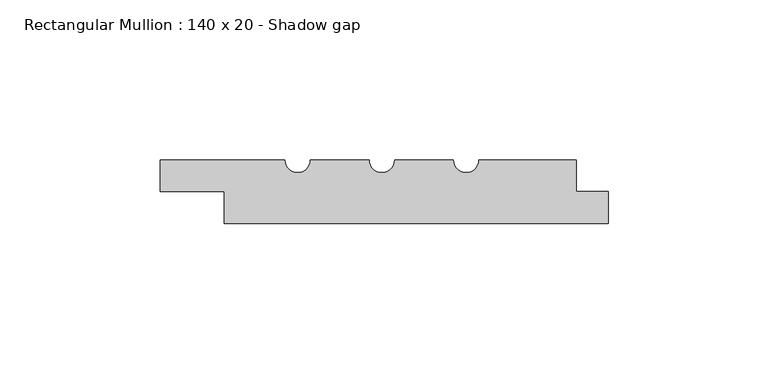
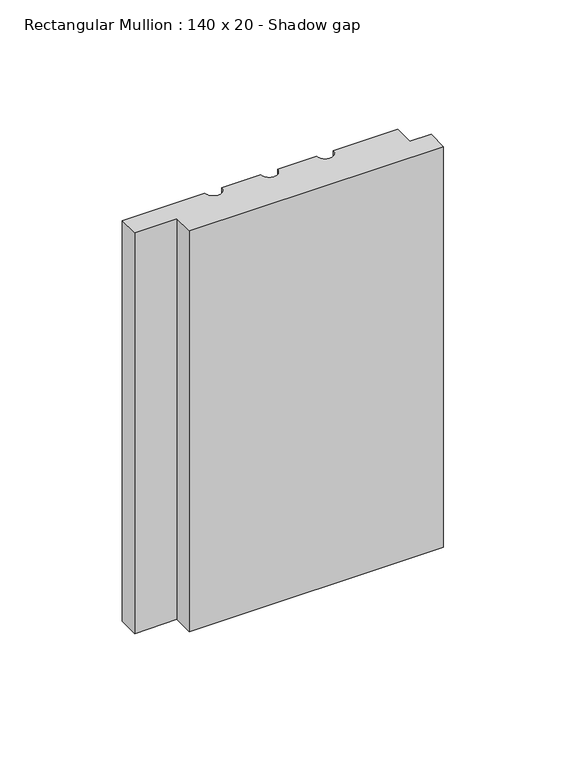
"""IFC4 building model written with IfcOpenShell, lengths in millimetres: member geometry, Rectangular Mullion : 140 x 20 - Shadow gap."""

import ifcopenshell
import ifcopenshell.guid

model = None  # the IFC model being written
_history = None  # IfcOwnerHistory: only IFC2X3 demands one
_inside = {}  # id of a spatial element -> (the spatial element, [elements in it])
_under = {}  # id of a project, library or spatial element -> (it, [spatial elements below it])
_declared = {}  # id of a project -> (the project, [libraries it declares])
_typed = {}  # id of a type object -> (the type object, [elements of that type])
_made_of = {}  # id of a material, layer set ... -> (it, [elements and type objects made of it])


def new_model(schema):
    """Start an empty IFC model of exactly this schema.

    Asked for "IFC4X3", IfcOpenShell would pick the latest addendum, in which some entities
    have other attributes; the version numbers below select the first issue.
    IFC2X3 requires an IfcOwnerHistory on every rooted entity: one is made here for all.
    """
    global model, _history
    if schema == "IFC4X3":
        model = ifcopenshell.file(schema_version=(4, 3, 0, 0))
    else:
        model = ifcopenshell.file(schema=schema)
    _inside.clear()
    _under.clear()
    _declared.clear()
    _typed.clear()
    _made_of.clear()
    _history = None
    if model.schema == "IFC2X3":
        org = make("IfcOrganization", Name="unknown")
        user = make(
            "IfcPersonAndOrganization",
            ThePerson=make("IfcPerson", FamilyName="unknown"),
            TheOrganization=org,
        )
        app = make(
            "IfcApplication",
            ApplicationDeveloper=org,
            Version="unknown",
            ApplicationFullName="unknown",
            ApplicationIdentifier="unknown",
        )
        _history = make(
            "IfcOwnerHistory",
            OwningUser=user,
            OwningApplication=app,
            ChangeAction="ADDED",
            CreationDate=0,
        )
    return model


def make(cls, **values):
    """One entity of the class cls with the attributes given. An attribute that is None is left unset."""
    return model.create_entity(
        cls, **{name: value for name, value in values.items() if value is not None}
    )


def rooted(cls, **values):
    """An entity with a GlobalId (a new one), such as an element, a storey or a relation."""
    return make(cls, GlobalId=ifcopenshell.guid.new(), OwnerHistory=_history, **values)


def si_unit(unit_type, name, prefix=None):
    """IfcSIUnit, for example si_unit("LENGTHUNIT", "METRE", prefix="MILLI")."""
    return make("IfcSIUnit", UnitType=unit_type, Prefix=prefix, Name=name)


def assignment(units):
    """IfcUnitAssignment: the units of a project."""
    return None if units is None else make("IfcUnitAssignment", Units=units)


def point(xyz):
    """IfcCartesianPoint."""
    return None if xyz is None else make("IfcCartesianPoint", Coordinates=xyz)


def direction(xyz):
    """IfcDirection."""
    return None if xyz is None else make("IfcDirection", DirectionRatios=xyz)


def frame(location, z_axis=None, x_axis=None):
    """IfcAxis2Placement3D, a coordinate frame: its origin and axes. An axis left out is left unset."""
    return make(
        "IfcAxis2Placement3D",
        Location=point(location),
        Axis=direction(z_axis),
        RefDirection=direction(x_axis),
    )


def frame_2d(location, x_axis=None):
    """IfcAxis2Placement2D, a coordinate frame in the plane: its origin and x axis."""
    return make(
        "IfcAxis2Placement2D", Location=point(location), RefDirection=direction(x_axis)
    )


def origin():
    """The frame at (0, 0, 0) with its axes left unset."""
    return frame((0.0, 0.0, 0.0))


def place(relative_to, where):
    """IfcLocalPlacement: puts the frame where relative to a parent placement (None: the world)."""
    return make(
        "IfcLocalPlacement", PlacementRelTo=relative_to, RelativePlacement=where
    )


def context(
    kind, dimensions, precision=None, world=None, true_north=None, identifier=None
):
    """IfcGeometricRepresentationContext, for example the 3D "Model" context."""
    return make(
        "IfcGeometricRepresentationContext",
        ContextIdentifier=identifier,
        ContextType=kind,
        CoordinateSpaceDimension=dimensions,
        Precision=precision,
        WorldCoordinateSystem=world,
        TrueNorth=true_north,
    )


def project(units=None, contexts=None):
    """IfcProject with its units and contexts."""
    return rooted(
        "IfcProject",
        Name="project",
        RepresentationContexts=contexts,
        UnitsInContext=assignment(units),
    )


def spatial(cls, under=None, at=None, **own):
    """A site, building, storey or space (cls), placed at a placement, below another one or the project."""
    s = rooted(cls, ObjectPlacement=at, **own)
    if under is not None:
        _under.setdefault(under.id(), (under, []))[1].append(s)
    return s


def polyline(points):
    """IfcPolyline through the points."""
    return make("IfcPolyline", Points=[point(p) for p in points])


def circle_curve(where, radius):
    """IfcCircle in the frame where."""
    return make("IfcCircle", Position=where, Radius=radius)


def trimmed(basis, trim1, trim2, sense, master):
    """IfcTrimmedCurve: the piece of a basis curve between two trims."""
    return make(
        "IfcTrimmedCurve",
        BasisCurve=basis,
        Trim1=trim1,
        Trim2=trim2,
        SenseAgreement=sense,
        MasterRepresentation=master,
    )


def segment(curve, same_sense, transition):
    """IfcCompositeCurveSegment."""
    return make(
        "IfcCompositeCurveSegment",
        Transition=transition,
        SameSense=same_sense,
        ParentCurve=curve,
    )


def composite_curve(segments, self_intersect=None):
    """IfcCompositeCurve: segments joined end to end."""
    return make("IfcCompositeCurve", Segments=segments, SelfIntersect=self_intersect)


def outline(outer, holes=None, kind="AREA"):
    """IfcArbitraryClosedProfileDef: a profile drawn as a closed curve; with holes, ...WithVoids."""
    if holes is None:
        return make("IfcArbitraryClosedProfileDef", ProfileType=kind, OuterCurve=outer)
    return make(
        "IfcArbitraryProfileDefWithVoids",
        ProfileType=kind,
        OuterCurve=outer,
        InnerCurves=holes,
    )


def extrude(swept, where, along, depth):
    """IfcExtrudedAreaSolid: the profile swept, set in the frame where, extruded along a direction by depth."""
    return make(
        "IfcExtrudedAreaSolid",
        SweptArea=swept,
        Position=where,
        ExtrudedDirection=direction(along),
        Depth=depth,
    )


def shape(context_of_items, identifier, shape_type, items):
    """IfcShapeRepresentation: the items that make up one representation, for example the "Body"."""
    return make(
        "IfcShapeRepresentation",
        ContextOfItems=context_of_items,
        RepresentationIdentifier=identifier,
        RepresentationType=shape_type,
        Items=items,
    )


def source(mapping_origin, context_of_items, identifier, shape_type, items):
    """IfcRepresentationMap: a shape defined once, which mapped items show again and again."""
    return make(
        "IfcRepresentationMap",
        MappingOrigin=mapping_origin,
        MappedRepresentation=shape(context_of_items, identifier, shape_type, items),
    )


def transform(
    local_origin,
    x_axis=None,
    y_axis=None,
    z_axis=None,
    scale=None,
    scale2=None,
    scale3=None,
    uniform=True,
):
    """IfcCartesianTransformationOperator3D, or its non-uniform kind. x_axis, y_axis, z_axis: its Axis1, 2, 3."""
    if uniform:
        return make(
            "IfcCartesianTransformationOperator3D",
            Axis1=direction(x_axis),
            Axis2=direction(y_axis),
            LocalOrigin=point(local_origin),
            Scale=scale,
            Axis3=direction(z_axis),
        )
    return make(
        "IfcCartesianTransformationOperator3DnonUniform",
        Axis1=direction(x_axis),
        Axis2=direction(y_axis),
        LocalOrigin=point(local_origin),
        Scale=scale,
        Axis3=direction(z_axis),
        Scale2=scale2,
        Scale3=scale3,
    )


def mapped(mapping_source, mapping_target):
    """IfcMappedItem: shows the shape of a source again, moved by a transform."""
    return make(
        "IfcMappedItem", MappingSource=mapping_source, MappingTarget=mapping_target
    )


def made_of(thing, what):
    """Note that an element or type object is made of a material, layer set ...; save() writes the relation."""
    if what is not None:
        _made_of.setdefault(what.id(), (what, []))[1].append(thing)
    return thing


def element(
    cls,
    number,
    at=None,
    inside=None,
    cuts=None,
    type_object=None,
    material=None,
    context=None,
    identifier="Body",
    shape_type=None,
    held_by="IfcProductDefinitionShape",
    body=None,
    shapes=None,
    **own,
):
    """One element of the class cls, such as IfcWall. Its Tag is "e" and its number.

    at: its placement. inside: the storey or other place that contains it. cuts: it is an
    opening in that element (IfcRelVoidsElement). A single representation is given by context,
    identifier, shape_type and body (its items); several are given by shapes. held_by: the class
    of the entity that holds the representations. save() writes the other relations.
    """
    e = rooted(cls, Tag="e%d" % number, ObjectPlacement=at, **own)
    if body is not None:
        shapes = [shape(context, identifier, shape_type, body)]
    if shapes is not None:
        e.Representation = make(held_by, Representations=shapes)
    if inside is not None:
        _inside.setdefault(inside.id(), (inside, []))[1].append(e)
    if cuts is not None:
        rooted(
            "IfcRelVoidsElement", RelatingBuildingElement=cuts, RelatedOpeningElement=e
        )
    if type_object is not None:
        _typed.setdefault(type_object.id(), (type_object, []))[1].append(e)
    return made_of(e, material)


def aggregate(whole, parts):
    """IfcRelAggregates: a whole, such as a stair, and the parts it consists of."""
    return rooted("IfcRelAggregates", RelatingObject=whole, RelatedObjects=parts)


def save(model, path):
    """Write the relations noted so far, then the file.

    IfcRelAggregates (storeys below a building ...), IfcRelContainedInSpatialStructure (elements
    in a storey), IfcRelDefinesByType, IfcRelAssociatesMaterial and IfcRelDeclares: one each for
    every whole, place, type object, material and project.
    """
    for whole, parts in _under.values():
        aggregate(whole, parts)
    for where, things in _inside.values():
        rooted(
            "IfcRelContainedInSpatialStructure",
            RelatedElements=things,
            RelatingStructure=where,
        )
    for kind, things in _typed.values():
        rooted("IfcRelDefinesByType", RelatedObjects=things, RelatingType=kind)
    for what, things in _made_of.values():
        rooted("IfcRelAssociatesMaterial", RelatedObjects=things, RelatingMaterial=what)
    for by, libraries in _declared.values():
        rooted("IfcRelDeclares", RelatingContext=by, RelatedDefinitions=libraries)
    model.write(path)


def rectangular_mullion_140_x_20_shadow_gap_925a4c0c(model_context):
    return source(origin(), model_context, "Body", "SweptSolid", [
        extrude(outline(composite_curve([segment(polyline([(-40.3418977, 0.0), (-10.0, 0.0), (-10.0, -10.0), (0.0, -10.0), (0.0, -20.0), (-120.0, -20.0), (-120.0, -10.0), (-140.0, -10.0), (-140.0, 0.0), (-101.0, 0.0)]), True, "CONTINUOUS"), segment(trimmed(circle_curve(frame_2d((-97.0, 0.0)), 4.0), [point((-101.0, 0.0))], [point((-93.0, 0.0))], True, "CARTESIAN"), True, "CONTINUOUS"), segment(polyline([(-93.0, 0.0), (-74.6755708, 0.0)]), True, "CONTINUOUS"), segment(trimmed(circle_curve(frame_2d((-70.6755708, 0.0)), 4.0), [point((-74.6755708, 0.0))], [point((-66.6755708, 0.0))], True, "CARTESIAN"), True, "CONTINUOUS"), segment(polyline([(-66.6755708, 0.0), (-48.3418977, 0.0)]), True, "CONTINUOUS"), segment(trimmed(circle_curve(frame_2d((-44.3418977, 0.0)), 4.0), [point((-48.3418977, 0.0))], [point((-40.3418977, 0.0))], True, "CARTESIAN"), True, "CONTINUOUS")], self_intersect=False)), frame((0.0, 0.0, -200.0), z_axis=(0.0, 0.0, 1.0), x_axis=(1.0, 0.0, 0.0)), (0.0, 0.0, 1.0), 200.0),
    ])


if __name__ == "__main__":
    model = new_model("IFC4")
    model_context = context("Model", 3, world=origin())
    ifc_project = project(units=[si_unit("LENGTHUNIT", "METRE", prefix="MILLI")], contexts=[model_context])
    site = spatial("IfcSite", under=ifc_project)
    building = spatial("IfcBuilding", under=site)
    placement = place(None, origin())
    rectangular_mullion_140_x_20_shadow_gap_shape = rectangular_mullion_140_x_20_shadow_gap_925a4c0c(model_context)
    element("IfcMember", 1, ObjectType="Rectangular Mullion : 140 x 20 - Shadow gap", at=placement, inside=building, context=model_context, shape_type="MappedRepresentation", body=[
        mapped(rectangular_mullion_140_x_20_shadow_gap_shape, transform((0.0, 0.0, 0.0), x_axis=(1.0, 0.0, 0.0), y_axis=(0.0, 1.0, 0.0), z_axis=(0.0, 0.0, 1.0))),
    ])
    save(model, "model.ifc")
